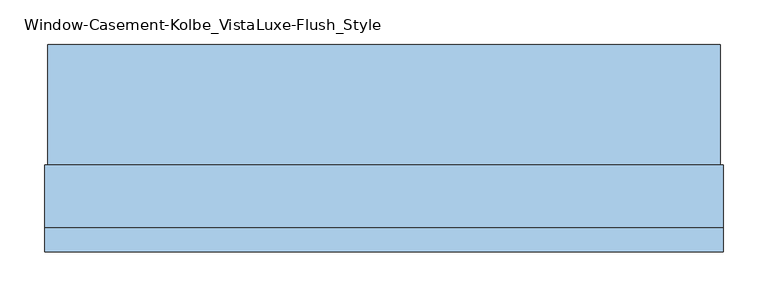
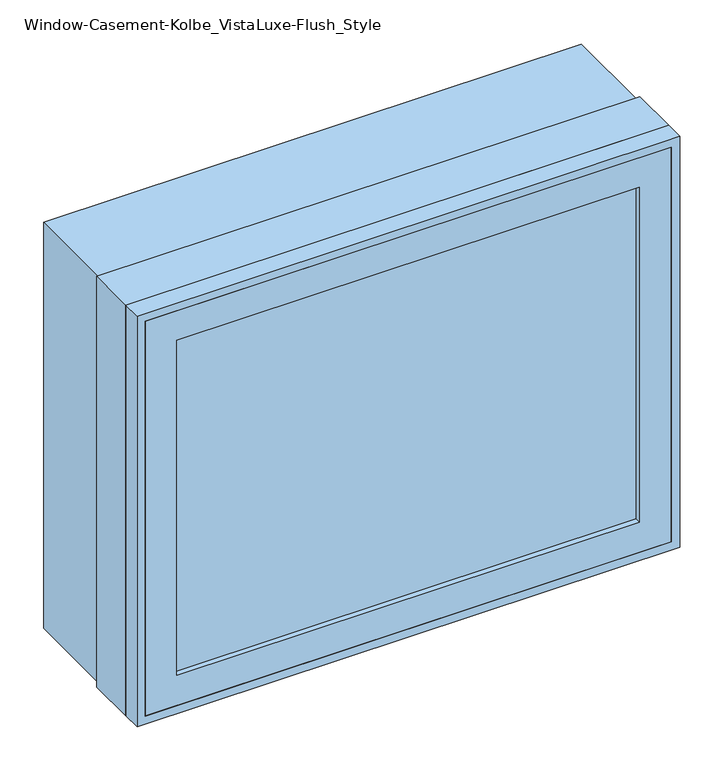
"""IFC4 building model written with IfcOpenShell, lengths in millimetres: window geometry, Window-Casement-Kolbe_VistaLuxe-Flush_Style."""

import ifcopenshell
import ifcopenshell.guid

model = None  # the IFC model being written
_history = None  # IfcOwnerHistory: only IFC2X3 demands one
_inside = {}  # id of a spatial element -> (the spatial element, [elements in it])
_under = {}  # id of a project, library or spatial element -> (it, [spatial elements below it])
_declared = {}  # id of a project -> (the project, [libraries it declares])
_typed = {}  # id of a type object -> (the type object, [elements of that type])
_made_of = {}  # id of a material, layer set ... -> (it, [elements and type objects made of it])


def new_model(schema):
    """Start an empty IFC model of exactly this schema.

    Asked for "IFC4X3", IfcOpenShell would pick the latest addendum, in which some entities
    have other attributes; the version numbers below select the first issue.
    IFC2X3 requires an IfcOwnerHistory on every rooted entity: one is made here for all.
    """
    global model, _history
    if schema == "IFC4X3":
        model = ifcopenshell.file(schema_version=(4, 3, 0, 0))
    else:
        model = ifcopenshell.file(schema=schema)
    _inside.clear()
    _under.clear()
    _declared.clear()
    _typed.clear()
    _made_of.clear()
    _history = None
    if model.schema == "IFC2X3":
        org = make("IfcOrganization", Name="unknown")
        user = make(
            "IfcPersonAndOrganization",
            ThePerson=make("IfcPerson", FamilyName="unknown"),
            TheOrganization=org,
        )
        app = make(
            "IfcApplication",
            ApplicationDeveloper=org,
            Version="unknown",
            ApplicationFullName="unknown",
            ApplicationIdentifier="unknown",
        )
        _history = make(
            "IfcOwnerHistory",
            OwningUser=user,
            OwningApplication=app,
            ChangeAction="ADDED",
            CreationDate=0,
        )
    return model


def make(cls, **values):
    """One entity of the class cls with the attributes given. An attribute that is None is left unset."""
    return model.create_entity(
        cls, **{name: value for name, value in values.items() if value is not None}
    )


def rooted(cls, **values):
    """An entity with a GlobalId (a new one), such as an element, a storey or a relation."""
    return make(cls, GlobalId=ifcopenshell.guid.new(), OwnerHistory=_history, **values)


def si_unit(unit_type, name, prefix=None):
    """IfcSIUnit, for example si_unit("LENGTHUNIT", "METRE", prefix="MILLI")."""
    return make("IfcSIUnit", UnitType=unit_type, Prefix=prefix, Name=name)


def assignment(units):
    """IfcUnitAssignment: the units of a project."""
    return None if units is None else make("IfcUnitAssignment", Units=units)


def point(xyz):
    """IfcCartesianPoint."""
    return None if xyz is None else make("IfcCartesianPoint", Coordinates=xyz)


def direction(xyz):
    """IfcDirection."""
    return None if xyz is None else make("IfcDirection", DirectionRatios=xyz)


def frame(location, z_axis=None, x_axis=None):
    """IfcAxis2Placement3D, a coordinate frame: its origin and axes. An axis left out is left unset."""
    return make(
        "IfcAxis2Placement3D",
        Location=point(location),
        Axis=direction(z_axis),
        RefDirection=direction(x_axis),
    )


def origin():
    """The frame at (0, 0, 0) with its axes left unset."""
    return frame((0.0, 0.0, 0.0))


def place(relative_to, where):
    """IfcLocalPlacement: puts the frame where relative to a parent placement (None: the world)."""
    return make(
        "IfcLocalPlacement", PlacementRelTo=relative_to, RelativePlacement=where
    )


def context(
    kind, dimensions, precision=None, world=None, true_north=None, identifier=None
):
    """IfcGeometricRepresentationContext, for example the 3D "Model" context."""
    return make(
        "IfcGeometricRepresentationContext",
        ContextIdentifier=identifier,
        ContextType=kind,
        CoordinateSpaceDimension=dimensions,
        Precision=precision,
        WorldCoordinateSystem=world,
        TrueNorth=true_north,
    )


def project(units=None, contexts=None):
    """IfcProject with its units and contexts."""
    return rooted(
        "IfcProject",
        Name="project",
        RepresentationContexts=contexts,
        UnitsInContext=assignment(units),
    )


def spatial(cls, under=None, at=None, **own):
    """A site, building, storey or space (cls), placed at a placement, below another one or the project."""
    s = rooted(cls, ObjectPlacement=at, **own)
    if under is not None:
        _under.setdefault(under.id(), (under, []))[1].append(s)
    return s


def polyline(points):
    """IfcPolyline through the points."""
    return make("IfcPolyline", Points=[point(p) for p in points])


def outline(outer, holes=None, kind="AREA"):
    """IfcArbitraryClosedProfileDef: a profile drawn as a closed curve; with holes, ...WithVoids."""
    if holes is None:
        return make("IfcArbitraryClosedProfileDef", ProfileType=kind, OuterCurve=outer)
    return make(
        "IfcArbitraryProfileDefWithVoids",
        ProfileType=kind,
        OuterCurve=outer,
        InnerCurves=holes,
    )


def extrude(swept, where, along, depth):
    """IfcExtrudedAreaSolid: the profile swept, set in the frame where, extruded along a direction by depth."""
    return make(
        "IfcExtrudedAreaSolid",
        SweptArea=swept,
        Position=where,
        ExtrudedDirection=direction(along),
        Depth=depth,
    )


def faces_of(points, faces, orient=None, outer=None):
    """IfcFace entities. A face is a list of loops; a loop is a list of indices into points, from 0.

    orient and outer hold one flag for each loop. By default every Orientation is true, the
    first loop of a face is its IfcFaceOuterBound and the others are IfcFaceBound.
    """
    made = []
    for i, loops in enumerate(faces):
        bounds = []
        for j, loop in enumerate(loops):
            is_outer = j == 0 if outer is None else outer[i][j]
            bounds.append(
                make(
                    "IfcFaceOuterBound" if is_outer else "IfcFaceBound",
                    Bound=make("IfcPolyLoop", Polygon=[points[k] for k in loop]),
                    Orientation=True if orient is None else orient[i][j],
                )
            )
        made.append(make("IfcFace", Bounds=bounds))
    return made


def faceted_brep(points, faces, orient=None, outer=None, voids=None):
    """IfcFacetedBrep: a solid bounded by flat faces; with voids (closed shells), ...WithVoids."""
    shared = [point(p) for p in points]
    hull = make("IfcClosedShell", CfsFaces=faces_of(shared, faces, orient, outer))
    if voids is None:
        return make("IfcFacetedBrep", Outer=hull)
    return make(
        "IfcFacetedBrepWithVoids",
        Outer=hull,
        Voids=[
            make(cls, CfsFaces=faces_of(shared, fs, o, b)) for cls, fs, o, b in voids
        ],
    )


def shape(context_of_items, identifier, shape_type, items):
    """IfcShapeRepresentation: the items that make up one representation, for example the "Body"."""
    return make(
        "IfcShapeRepresentation",
        ContextOfItems=context_of_items,
        RepresentationIdentifier=identifier,
        RepresentationType=shape_type,
        Items=items,
    )


def source(mapping_origin, context_of_items, identifier, shape_type, items):
    """IfcRepresentationMap: a shape defined once, which mapped items show again and again."""
    return make(
        "IfcRepresentationMap",
        MappingOrigin=mapping_origin,
        MappedRepresentation=shape(context_of_items, identifier, shape_type, items),
    )


def transform(
    local_origin,
    x_axis=None,
    y_axis=None,
    z_axis=None,
    scale=None,
    scale2=None,
    scale3=None,
    uniform=True,
):
    """IfcCartesianTransformationOperator3D, or its non-uniform kind. x_axis, y_axis, z_axis: its Axis1, 2, 3."""
    if uniform:
        return make(
            "IfcCartesianTransformationOperator3D",
            Axis1=direction(x_axis),
            Axis2=direction(y_axis),
            LocalOrigin=point(local_origin),
            Scale=scale,
            Axis3=direction(z_axis),
        )
    return make(
        "IfcCartesianTransformationOperator3DnonUniform",
        Axis1=direction(x_axis),
        Axis2=direction(y_axis),
        LocalOrigin=point(local_origin),
        Scale=scale,
        Axis3=direction(z_axis),
        Scale2=scale2,
        Scale3=scale3,
    )


def mapped(mapping_source, mapping_target):
    """IfcMappedItem: shows the shape of a source again, moved by a transform."""
    return make(
        "IfcMappedItem", MappingSource=mapping_source, MappingTarget=mapping_target
    )


def made_of(thing, what):
    """Note that an element or type object is made of a material, layer set ...; save() writes the relation."""
    if what is not None:
        _made_of.setdefault(what.id(), (what, []))[1].append(thing)
    return thing


def element(
    cls,
    number,
    at=None,
    inside=None,
    cuts=None,
    type_object=None,
    material=None,
    context=None,
    identifier="Body",
    shape_type=None,
    held_by="IfcProductDefinitionShape",
    body=None,
    shapes=None,
    **own,
):
    """One element of the class cls, such as IfcWall. Its Tag is "e" and its number.

    at: its placement. inside: the storey or other place that contains it. cuts: it is an
    opening in that element (IfcRelVoidsElement). A single representation is given by context,
    identifier, shape_type and body (its items); several are given by shapes. held_by: the class
    of the entity that holds the representations. save() writes the other relations.
    """
    e = rooted(cls, Tag="e%d" % number, ObjectPlacement=at, **own)
    if body is not None:
        shapes = [shape(context, identifier, shape_type, body)]
    if shapes is not None:
        e.Representation = make(held_by, Representations=shapes)
    if inside is not None:
        _inside.setdefault(inside.id(), (inside, []))[1].append(e)
    if cuts is not None:
        rooted(
            "IfcRelVoidsElement", RelatingBuildingElement=cuts, RelatedOpeningElement=e
        )
    if type_object is not None:
        _typed.setdefault(type_object.id(), (type_object, []))[1].append(e)
    return made_of(e, material)


def aggregate(whole, parts):
    """IfcRelAggregates: a whole, such as a stair, and the parts it consists of."""
    return rooted("IfcRelAggregates", RelatingObject=whole, RelatedObjects=parts)


def save(model, path):
    """Write the relations noted so far, then the file.

    IfcRelAggregates (storeys below a building ...), IfcRelContainedInSpatialStructure (elements
    in a storey), IfcRelDefinesByType, IfcRelAssociatesMaterial and IfcRelDeclares: one each for
    every whole, place, type object, material and project.
    """
    for whole, parts in _under.values():
        aggregate(whole, parts)
    for where, things in _inside.values():
        rooted(
            "IfcRelContainedInSpatialStructure",
            RelatedElements=things,
            RelatingStructure=where,
        )
    for kind, things in _typed.values():
        rooted("IfcRelDefinesByType", RelatedObjects=things, RelatingType=kind)
    for what, things in _made_of.values():
        rooted("IfcRelAssociatesMaterial", RelatedObjects=things, RelatingMaterial=what)
    for by, libraries in _declared.values():
        rooted("IfcRelDeclares", RelatingContext=by, RelatedDefinitions=libraries)
    model.write(path)


def window_casement_kolbe_vistaluxe_flush_style_67032671(model_context):
    return source(origin(), model_context, "Body", "SolidModel", [
        faceted_brep([(-330.2696599, -121.37898, 970.676875), (-330.2696599, -129.31648, 970.676875), (319.1765901, -129.31648, 970.676875), (319.1765901, -121.37898, 970.676875), (-346.1446599, -99.12858, 954.801875), (-346.1446599, -121.37898, 954.801875), (335.0515901, -121.37898, 954.801875), (335.0515901, -99.12858, 954.801875), (-330.2696599, -80.10398, 970.676875), (-330.2696599, -99.12858, 970.676875), (319.1765901, -99.12858, 970.676875), (319.1765901, -80.10398, 970.676875), (-374.7196599, -129.31648, 926.226875), (-374.7196599, -80.10398, 926.226875), (363.6265901, -80.10398, 926.226875), (363.6265901, -129.31648, 926.226875), (319.1765901, -129.31648, 1467.723125), (319.1765901, -121.37898, 1467.723125), (335.0515901, -121.37898, 1483.598125), (335.0515901, -99.12858, 1483.598125), (319.1765901, -99.12858, 1467.723125), (319.1765901, -80.10398, 1467.723125), (363.6265901, -80.10398, 1512.173125), (363.6265901, -129.31648, 1512.173125), (-330.2696599, -129.31648, 1467.723125), (-330.2696599, -121.37898, 1467.723125), (-346.1446599, -121.37898, 1483.598125), (-346.1446599, -99.12858, 1483.598125), (-330.2696599, -99.12858, 1467.723125), (-330.2696599, -80.10398, 1467.723125), (-374.7196599, -80.10398, 1512.173125), (-374.7196599, -129.31648, 1512.173125)], [[[0, 1, 2, 3]], [[4, 5, 6, 7]], [[8, 9, 10, 11]], [[12, 13, 14, 15]], [[3, 2, 16, 17]], [[7, 6, 18, 19]], [[11, 10, 20, 21]], [[15, 14, 22, 23]], [[17, 16, 24, 25]], [[19, 18, 26, 27]], [[21, 20, 28, 29]], [[23, 22, 30, 31]], [[25, 24, 1, 0]], [[5, 26, 18, 6], [3, 17, 25, 0]], [[27, 26, 5, 4]], [[7, 19, 27, 4], [9, 28, 20, 10]], [[29, 28, 9, 8]], [[13, 30, 22, 14], [11, 21, 29, 8]], [[31, 30, 13, 12]], [[15, 23, 31, 12], [1, 24, 16, 2]]]),
        extrude(outline(polyline([(1520.4186, 371.8720651), (1520.4186, -382.9651349), (917.9814, -382.9651349), (917.9814, 371.8720651), (1520.4186, 371.8720651)]), holes=[polyline([(936.545625, 353.3078401), (936.545625, -364.4009099), (1501.854375, -364.4009099), (1501.854375, 353.3078401), (936.545625, 353.3078401)])]), frame((0.0, -32.5247, 0.0), z_axis=(0.0, 1.0, 0.0), x_axis=(0.0, 0.0, 1.0)), (0.0, 0.0, 1.0), 135.7122),
        extrude(outline(polyline([(1524.0, -386.5465349), (914.4, -386.5465349), (914.4, 375.4534651), (1524.0, 375.4534651), (1524.0, -386.5465349)]), holes=[polyline([(1512.173125, 363.6265901), (926.226875, 363.6265901), (926.226875, -374.7196599), (1512.173125, -374.7196599), (1512.173125, 363.6265901)])]), frame((0.0, -130.1115, 0.0), z_axis=(0.0, 1.0, 0.0), x_axis=(0.0, 0.0, 1.0)), (0.0, 0.0, 1.0), 26.924),
        faceted_brep([(375.4534651, -32.5247, 914.4), (375.4534651, -103.1875, 914.4), (-386.5465349, -103.1875, 914.4), (-386.5465349, -32.5247, 914.4), (353.3078401, -80.10525, 936.545625), (353.3078401, -32.5247, 936.545625), (-364.4009099, -32.5247, 936.545625), (-364.4009099, -80.10525, 936.545625), (363.6265901, -103.1875, 926.226875), (363.6265901, -80.10525, 926.226875), (-374.7196599, -80.10525, 926.226875), (-374.7196599, -103.1875, 926.226875), (-386.5465349, -103.1875, 1524.0), (-386.5465349, -32.5247, 1524.0), (-364.4009099, -32.5247, 1501.854375), (-364.4009099, -80.10525, 1501.854375), (-374.7196599, -80.10525, 1512.173125), (-374.7196599, -103.1875, 1512.173125), (375.4534651, -103.1875, 1524.0), (375.4534651, -32.5247, 1524.0), (353.3078401, -32.5247, 1501.854375), (353.3078401, -80.10525, 1501.854375), (363.6265901, -80.10525, 1512.173125), (363.6265901, -103.1875, 1512.173125)], [[[0, 1, 2, 3]], [[4, 5, 6, 7]], [[8, 9, 10, 11]], [[3, 2, 12, 13]], [[7, 6, 14, 15]], [[11, 10, 16, 17]], [[13, 12, 18, 19]], [[15, 14, 20, 21]], [[17, 16, 22, 23]], [[19, 18, 1, 0]], [[3, 13, 19, 0], [5, 20, 14, 6]], [[21, 20, 5, 4]], [[9, 22, 16, 10], [7, 15, 21, 4]], [[23, 22, 9, 8]], [[1, 18, 12, 2], [11, 17, 23, 8]]]),
        extrude(outline(polyline([(331.8765901, -102.30358), (-342.9696599, -102.30358), (-342.9696599, -99.12858), (331.8765901, -99.12858), (331.8765901, -102.30358)])), frame((0.0, 0.0, 957.976875), z_axis=(0.0, 0.0, 1.0), x_axis=(1.0, 0.0, 0.0)), (0.0, 0.0, 1.0), 522.44625),
        extrude(outline(polyline([(331.8765901, -118.20398), (331.8765901, -121.37898), (-342.9696599, -121.37898), (-342.9696599, -118.20398), (331.8765901, -118.20398)])), frame((0.0, 0.0, 957.976875), z_axis=(0.0, 0.0, 1.0), x_axis=(1.0, 0.0, 0.0)), (0.0, 0.0, 1.0), 522.44625),
        extrude(outline(polyline([(936.545625, 353.3078401), (1501.854375, 353.3078401), (1501.854375, -364.4009099), (936.545625, -364.4009099), (936.545625, 353.3078401)]), holes=[polyline([(954.801875, -346.1446599), (1483.598125, -346.1446599), (1483.598125, 335.0515901), (954.801875, 335.0515901), (954.801875, -346.1446599)])]), frame((0.0, -80.10525, 0.0), z_axis=(0.0, 1.0, 0.0), x_axis=(0.0, 0.0, 1.0)), (0.0, 0.0, 1.0), 50.8),
    ])


if __name__ == "__main__":
    model = new_model("IFC4")
    model_context = context("Model", 3, world=origin())
    ifc_project = project(units=[si_unit("LENGTHUNIT", "METRE", prefix="MILLI")], contexts=[model_context])
    site = spatial("IfcSite", under=ifc_project)
    building = spatial("IfcBuilding", under=site)
    placement = place(None, origin())
    window_casement_kolbe_vistaluxe_flush_style_shape = window_casement_kolbe_vistaluxe_flush_style_67032671(model_context)
    element("IfcWindow", 1, ObjectType="Window-Casement-Kolbe_VistaLuxe-Flush_Style", at=placement, inside=building, context=model_context, shape_type="MappedRepresentation", body=[
        mapped(window_casement_kolbe_vistaluxe_flush_style_shape, transform((0.0, 0.0, 0.0), x_axis=(1.0, 0.0, 0.0), y_axis=(0.0, 1.0, 0.0), z_axis=(0.0, 0.0, 1.0))),
    ])
    save(model, "model.ifc")
